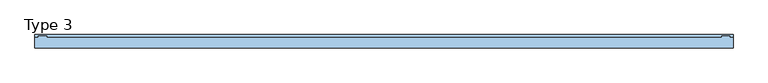
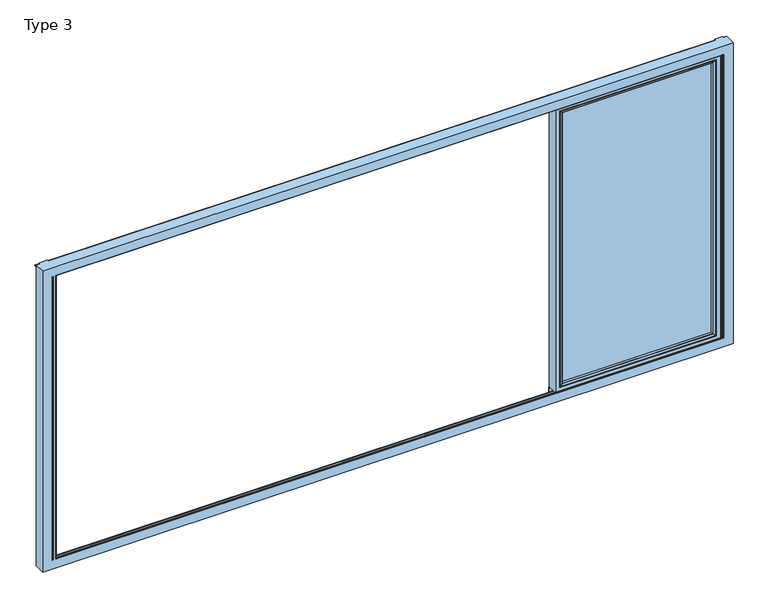
"""IFC4 building model written with IfcOpenShell, lengths in millimetres: window geometry, Type 3."""

from ifc_helpers import new_model, si_unit, point, frame, frame_2d, origin, place, context, project, spatial, polyline, circle_curve, ellipse_curve, trimmed, segment, composite_curve, outline, extrude, source, transform, mapped, element, save
from ifc_brep_helpers import plane_surface, cylinder_surface, advanced_brep


def type_3_1e043581(model_context):
    return source(origin(), model_context, "Body", "SolidModel", [
        advanced_brep(
        [(2500.0, -60.0, 2324.0), (2500.0, -60.0, 66.0), (2500.0, 20.0, 66.0), (2500.0, 20.0, 2324.0), (1264.375, -60.0, 66.0), (1264.375, 20.0, 66.0), (1264.375, 20.0, 2324.0), (1309.8746293, 20.0, 111.4996293), (2454.5003707, 20.0, 111.4996293), (2454.5003707, 20.0, 2278.5003707), (1309.8746293, 20.0, 2278.5003707), (1264.375, -60.0, 2324.0), (2468.0, -60.0, 98.0), (1296.375, -60.0, 98.0), (1296.375, -60.0, 2292.0), (2468.0, -60.0, 2292.0), (2468.0, 3.9999997, 2292.0), (2468.0, 3.9999997, 98.0), (1296.375, 3.9999997, 98.0), (1296.375, 3.9999997, 2292.0), (2449.999988, 3.9999997, 116.000012), (1314.375012, 3.9999997, 116.000012), (1314.375012, 3.9999997, 2273.999988), (2449.999988, 3.9999997, 2273.999988), (2449.999988, 15.4995565, 2273.999988), (2449.999988, 15.4995565, 116.000012), (1314.375012, 15.4995565, 116.000012), (1314.375012, 15.4995565, 2273.999988)],
        [
            (0, 1),
            (1, 2),
            (2, 3),
            (3, 0),
            (1, 4),
            (4, 5),
            (5, 2),
            (5, 6),
            (6, 3),
            (7, 8),
            (8, 9),
            (9, 10),
            (10, 7),
            (4, 11),
            (11, 6),
            (0, 11),
            (12, 13),
            (13, 14),
            (14, 15),
            (15, 12),
            (16, 17),
            (17, 12),
            (15, 16),
            (17, 18),
            (18, 13),
            (18, 19),
            (19, 14),
            (16, 19),
            (20, 21),
            (21, 22),
            (22, 23),
            (23, 20),
            (24, 25),
            (25, 20),
            (23, 24),
            (25, 26),
            (26, 21),
            (26, 27),
            (27, 22),
            (7, 26, ellipse_curve(frame((1309.8746293, 15.4995565, 111.4996293), z_axis=(0.7071067811865475, 0.0, -0.7071067811865475), x_axis=(0.7071067811865476, 0.0, 0.7071067811865474)), 6.3645023, 4.5003827)),
            (25, 8, ellipse_curve(frame((2454.5003707, 15.4995565, 111.4996293), z_axis=(-0.7071067811865475, 0.0, -0.7071067811865475), x_axis=(0.7071067811865476, 0.0, -0.7071067811865474)), 6.3645023, 4.5003827)),
            (24, 9, ellipse_curve(frame((2454.5003707, 15.4995565, 2278.5003707), z_axis=(0.7071067811865475, 0.0, -0.7071067811865475), x_axis=(0.7071067811865474, 0.0, 0.7071067811865476)), 6.3645023, 4.5003827)),
            (10, 27, ellipse_curve(frame((1309.8746293, 15.4995565, 2278.5003707), z_axis=(-0.7071067811865475, 0.0, -0.7071067811865475), x_axis=(0.7071067811865474, 0.0, -0.7071067811865476)), 6.3645023, 4.5003827)),
            (27, 24),
        ],
        [
            plane_surface(frame((2500.0, 20.0, 2324.0), z_axis=(1.0, 0.0, 0.0), x_axis=(0.0, 0.0, -1.0))),
            plane_surface(frame((2500.0, 20.0, 66.0), z_axis=(0.0, 0.0, -1.0), x_axis=(-1.0, 0.0, 0.0))),
            plane_surface(frame((2454.5003707, 20.0, 2278.5003707), z_axis=(0.0, 1.0, 0.0), x_axis=(0.0, 0.0, -1.0))),
            plane_surface(frame((1264.375, 20.0, 66.0), z_axis=(-1.0, 0.0, 0.0), x_axis=(0.0, 0.0, 1.0))),
            plane_surface(frame((2500.0, -60.0, 2324.0), z_axis=(0.0, -1.0, 0.0), x_axis=(0.0, 0.0, -1.0))),
            plane_surface(frame((2468.0, -60.0, 2292.0), z_axis=(-1.0, 0.0, 0.0), x_axis=(0.0, 0.0, -1.0))),
            plane_surface(frame((2468.0, -60.0, 98.0), z_axis=(0.0, 0.0, 1.0), x_axis=(-1.0, 0.0, 0.0))),
            plane_surface(frame((1296.375, -60.0, 98.0), z_axis=(1.0, 0.0, 0.0), x_axis=(0.0, 0.0, 1.0))),
            plane_surface(frame((2468.0, 3.9999997, 2292.0), z_axis=(0.0, -1.0, 0.0), x_axis=(0.0, 0.0, -1.0))),
            plane_surface(frame((2449.999988, 3.9999997, 2273.999988), z_axis=(-1.0, 0.0, 0.0), x_axis=(0.0, 0.0, -1.0))),
            plane_surface(frame((2449.999988, 3.9999997, 116.000012), z_axis=(0.0, 0.0, 1.0), x_axis=(-1.0, 0.0, 0.0))),
            plane_surface(frame((1314.375012, 3.9999997, 116.000012), z_axis=(1.0, 0.0, 0.0), x_axis=(0.0, 0.0, 1.0))),
            cylinder_surface(frame((2506.0, 15.4995565, 111.4996293), z_axis=(1.0, 0.0, 0.0), x_axis=(0.0, -1.0, 0.0)), 4.5003827),
            cylinder_surface(frame((2454.5003707, 15.4995565, 2330.0), z_axis=(0.0, 0.0, 1.0), x_axis=(0.0, -1.0, 0.0)), 4.5003827),
            cylinder_surface(frame((1309.8746293, 15.4995565, 60.0), z_axis=(0.0, 0.0, -1.0), x_axis=(0.0, -1.0, 0.0)), 4.5003827),
            plane_surface(frame((1264.375, 20.0, 2324.0), z_axis=(0.0, 0.0, 1.0), x_axis=(1.0, 0.0, 0.0))),
            plane_surface(frame((1296.375, -60.0, 2292.0), z_axis=(0.0, 0.0, -1.0), x_axis=(1.0, 0.0, 0.0))),
            plane_surface(frame((1314.375012, 3.9999997, 2273.999988), z_axis=(0.0, 0.0, -1.0), x_axis=(1.0, 0.0, 0.0))),
            cylinder_surface(frame((1258.375, 15.4995565, 2278.5003707), z_axis=(-1.0, 0.0, 0.0), x_axis=(0.0, -1.0, 0.0)), 4.5003827),
        ],
        [
            (0, [[1, 2, 3, 4]]),
            (1, [[5, 6, 7, -2]]),
            (2, [[-7, 8, 9, -3], [10, 11, 12, 13]]),
            (3, [[14, 15, -8, -6]]),
            (4, [[-5, -1, 16, -14], [17, 18, 19, 20]]),
            (5, [[21, 22, -20, 23]]),
            (6, [[24, 25, -17, -22]]),
            (7, [[26, 27, -18, -25]]),
            (8, [[-24, -21, 28, -26], [29, 30, 31, 32]]),
            (9, [[33, 34, -32, 35]]),
            (10, [[36, 37, -29, -34]]),
            (11, [[38, 39, -30, -37]]),
            (12, [[-10, 40, -36, 41]]),
            (13, [[-11, -41, -33, 42]]),
            (14, [[-13, 43, -38, -40]]),
            (15, [[-16, -4, -9, -15]]),
            (16, [[-28, -23, -19, -27]]),
            (17, [[44, -35, -31, -39]]),
            (18, [[-12, -42, -44, -43]]),
        ],
    ),
        extrude(outline(polyline([(2467.9996828, 3.9999997), (2467.9996828, -34.0000003), (1296.3753172, -34.0000003), (1296.3753172, 3.9999997), (2467.9996828, 3.9999997)])), frame((0.0, 0.0, 98.0003172), z_axis=(0.0, 0.0, 1.0), x_axis=(1.0, 0.0, 0.0)), (0.0, 0.0, 1.0), 2193.9993657),
        advanced_brep(
        [(1318.3748899, -54.5552044, 2270.0001101), (1318.3748899, -54.5552044, 119.9998899), (1318.3748899, -34.0000003, 119.9998899), (1318.3748899, -34.0000003, 2270.0001101), (1296.3753172, -34.0000003, 2291.9996828), (2467.9996828, -34.0000003, 2291.9996828), (2467.9996828, -34.0000003, 98.0003172), (1296.3753172, -34.0000003, 98.0003172), (2446.0001101, -34.0000003, 2270.0001101), (2446.0001101, -34.0000003, 119.9998899), (2446.0001101, -54.5552044, 119.9998899), (1317.6653465, -55.8045072, 2270.7096535), (1317.6653465, -55.8045072, 119.2903465), (2446.7096535, -55.8045072, 119.2903465), (1302.3752561, -60.0, 2285.9997439), (1302.3752561, -60.0, 104.0002561), (2461.9997439, -60.0, 104.0002561), (2467.9996828, -60.0, 2291.9996828), (1296.3753172, -60.0, 2291.9996828), (1296.3753172, -60.0, 98.0003172), (2467.9996828, -60.0, 98.0003172), (2461.9997439, -60.0, 2285.9997439), (2446.0001101, -54.5552044, 2270.0001101), (2446.7096535, -55.8045072, 2270.7096535)],
        [
            (0, 1),
            (1, 2),
            (2, 3),
            (3, 0),
            (4, 5),
            (5, 6),
            (6, 7),
            (7, 4),
            (8, 3),
            (2, 9),
            (9, 8),
            (1, 10),
            (10, 9),
            (11, 12),
            (12, 1, ellipse_curve(frame((1316.9202859, -54.5552044, 118.5452859), z_axis=(-0.7071067811865475, 0.0, 0.7071067811865475), x_axis=(0.7071067811865474, 0.0, 0.7071067811865476)), 2.0571207, 1.454604)),
            (0, 11, ellipse_curve(frame((1316.9202859, -54.5552044, 2271.4547141), z_axis=(-0.7071067811865475, 0.0, -0.7071067811865475), x_axis=(-0.7071067811865474, 0.0, 0.7071067811865476)), 2.0571207, 1.454604)),
            (12, 13),
            (13, 10, ellipse_curve(frame((2447.4547141, -54.5552044, 118.5452859), z_axis=(-0.7071067811865475, 0.0, -0.7071067811865475), x_axis=(-0.7071067811865476, 0.0, 0.7071067811865474)), 2.0571207, 1.454604)),
            (14, 15),
            (15, 12, ellipse_curve(frame((1302.4391917, -30.2735922, 104.0641917), z_axis=(-0.7071067811865475, 0.0, 0.7071067811865475), x_axis=(0.7071067811865474, 0.0, 0.7071067811865476)), 42.0395863, 29.7264765)),
            (11, 14, ellipse_curve(frame((1302.4391917, -30.2735922, 2285.9358083), z_axis=(-0.7071067811865475, 0.0, -0.7071067811865475), x_axis=(-0.7071067811865474, 0.0, 0.7071067811865476)), 42.0395863, 29.7264765)),
            (15, 16),
            (16, 13, ellipse_curve(frame((2461.9358083, -30.2735922, 104.0641917), z_axis=(-0.7071067811865475, 0.0, -0.7071067811865475), x_axis=(-0.7071067811865476, 0.0, 0.7071067811865474)), 42.0395863, 29.7264765)),
            (17, 18),
            (18, 19),
            (19, 20),
            (20, 17),
            (14, 21),
            (21, 16),
            (7, 19),
            (18, 4),
            (6, 20),
            (10, 22),
            (22, 8),
            (13, 23),
            (23, 22, ellipse_curve(frame((2447.4547141, -54.5552044, 2271.4547141), z_axis=(0.7071067811865475, 0.0, -0.7071067811865475), x_axis=(-0.7071067811865474, 0.0, -0.7071067811865476)), 2.0571207, 1.454604)),
            (21, 23, ellipse_curve(frame((2461.9358083, -30.2735922, 2285.9358083), z_axis=(0.7071067811865475, 0.0, -0.7071067811865475), x_axis=(-0.7071067811865474, 0.0, -0.7071067811865476)), 42.0395863, 29.7264765)),
            (5, 17),
            (22, 0),
            (23, 11),
        ],
        [
            plane_surface(frame((1318.3748899, -34.0000003, 2270.0001101), z_axis=(1.0, 0.0, 0.0), x_axis=(0.0, 0.0, -1.0))),
            plane_surface(frame((2467.9996828, -34.0000003, 98.0003172), z_axis=(0.0, 1.0, 0.0), x_axis=(0.0, 0.0, 1.0))),
            plane_surface(frame((1318.3748899, -34.0000003, 119.9998899), z_axis=(0.0, 0.0, 1.0), x_axis=(1.0, 0.0, 0.0))),
            cylinder_surface(frame((1316.9202859, -54.5552044, 2273.999988), z_axis=(0.0, 0.0, 1.0), x_axis=(-1.0, 0.0, 0.0)), 1.454604),
            cylinder_surface(frame((1314.375012, -54.5552044, 118.5452859), z_axis=(-1.0, 0.0, 0.0), x_axis=(0.0, 0.0, -1.0)), 1.454604),
            cylinder_surface(frame((1302.4391917, -30.2735922, 2273.999988), z_axis=(0.0, 0.0, 1.0), x_axis=(-1.0, 0.0, 0.0)), 29.7264765),
            cylinder_surface(frame((1314.375012, -30.2735922, 104.0641917), z_axis=(-1.0, 0.0, 0.0), x_axis=(0.0, 0.0, -1.0)), 29.7264765),
            plane_surface(frame((2461.9997439, -60.0, 104.0002561), z_axis=(0.0, -1.0, 0.0), x_axis=(0.0, 0.0, 1.0))),
            plane_surface(frame((1296.3753172, -60.0, 2291.9996828), z_axis=(-1.0, 0.0, 0.0), x_axis=(0.0, 0.0, -1.0))),
            plane_surface(frame((1296.3753172, -60.0, 98.0003172), z_axis=(0.0, 0.0, -1.0), x_axis=(1.0, 0.0, 0.0))),
            plane_surface(frame((2446.0001101, -34.0000003, 119.9998899), z_axis=(-1.0, 0.0, 0.0), x_axis=(0.0, 0.0, 1.0))),
            cylinder_surface(frame((2447.4547141, -54.5552044, 116.000012), z_axis=(0.0, 0.0, -1.0), x_axis=(1.0, 0.0, 0.0)), 1.454604),
            cylinder_surface(frame((2461.9358083, -30.2735922, 116.000012), z_axis=(0.0, 0.0, -1.0), x_axis=(1.0, 0.0, 0.0)), 29.7264765),
            plane_surface(frame((2467.9996828, -60.0, 98.0003172), z_axis=(1.0, 0.0, 0.0), x_axis=(0.0, 0.0, 1.0))),
            plane_surface(frame((2446.0001101, -34.0000003, 2270.0001101), z_axis=(0.0, 0.0, -1.0), x_axis=(-1.0, 0.0, 0.0))),
            cylinder_surface(frame((2449.999988, -54.5552044, 2271.4547141), z_axis=(1.0, 0.0, 0.0), x_axis=(0.0, 0.0, 1.0)), 1.454604),
            cylinder_surface(frame((2449.999988, -30.2735922, 2285.9358083), z_axis=(1.0, 0.0, 0.0), x_axis=(0.0, 0.0, 1.0)), 29.7264765),
            plane_surface(frame((2467.9996828, -60.0, 2291.9996828), z_axis=(0.0, 0.0, 1.0), x_axis=(-1.0, 0.0, 0.0))),
        ],
        [
            (0, [[1, 2, 3, 4]]),
            (1, [[5, 6, 7, 8], [9, -3, 10, 11]]),
            (2, [[12, 13, -10, -2]]),
            (3, [[14, 15, -1, 16]]),
            (4, [[17, 18, -12, -15]]),
            (5, [[19, 20, -14, 21]]),
            (6, [[22, 23, -17, -20]]),
            (7, [[24, 25, 26, 27], [28, 29, -22, -19]]),
            (8, [[-8, 30, -25, 31]]),
            (9, [[-7, 32, -26, -30]]),
            (10, [[33, 34, -11, -13]]),
            (11, [[35, 36, -33, -18]]),
            (12, [[-29, 37, -35, -23]]),
            (13, [[-6, 38, -27, -32]]),
            (14, [[39, -4, -9, -34]]),
            (15, [[40, -16, -39, -36]]),
            (16, [[-28, -21, -40, -37]]),
            (17, [[-5, -31, -24, -38]]),
        ],
    ),
        extrude(outline(composite_curve([segment(polyline([(20.0, 2362.5), (20.0, 2324.0), (10.0, 2324.0), (10.0, 2365.0), (17.5, 2365.0)]), True, "CONTINUOUS"), segment(trimmed(circle_curve(frame_2d((17.5, 2362.5)), 2.5), [point((17.5, 2365.0))], [point((20.0, 2362.5))], False, "CARTESIAN"), True, "CONTINUOUS")], self_intersect=False)), frame((1258.375, 0.0, 0.0), z_axis=(1.0, 0.0, 0.0), x_axis=(0.0, 1.0, 0.0)), (0.0, 0.0, 1.0), 1247.625),
        extrude(outline(composite_curve([segment(trimmed(circle_curve(frame_2d((17.5, 27.5)), 2.5), [point((20.0, 27.5))], [point((17.5, 25.0))], False, "CARTESIAN"), True, "CONTINUOUS"), segment(polyline([(17.5, 25.0), (10.0, 25.0), (10.0, 66.0), (20.0, 66.0), (20.0, 27.5)]), True, "CONTINUOUS")], self_intersect=False)), frame((1258.375, 0.0, 0.0), z_axis=(1.0, 0.0, 0.0), x_axis=(0.0, 1.0, 0.0)), (0.0, 0.0, 1.0), 1247.625),
        advanced_brep(
        [(2519.5, -69.9999847, 70.5), (2517.0, -67.4999847, 73.0), (-2488.0, -67.4999847, 73.0), (-2490.5, -69.9999847, 70.5), (-2517.0, -67.4999847, 73.0), (-2519.5, -69.9999847, 70.5), (-2509.0, -69.9999847, 70.5), (-2509.0, -67.4999847, 73.0), (2519.5, -69.9999847, 2319.5), (2517.0, -67.4999847, 2317.0), (2590.0, -69.9999847, 0.0), (2590.0, -69.9999847, 2390.0), (-2590.0, -69.9999847, 2390.0), (-2590.0, -69.9999847, 0.0), (-2490.5, -69.9999847, 2319.5), (-2519.5, -69.9999847, 2319.5), (-2509.0, -69.9999847, 2319.5), (2517.0, -60.0, 2317.0), (2517.0, -60.0, 73.0), (2506.0, -60.0, 2317.0), (2506.0, -60.0, 73.0), (-2488.0, -60.0, 73.0), (-2517.0, -60.0, 73.0), (-2509.0, -60.0, 73.0), (2590.0, 10.0, 0.0), (-2590.0, 10.0, 0.0), (-2565.0, 10.0, 0.0), (-2565.0, 17.5, 0.0), (-2562.5, 20.0, 0.0), (-2501.5, 20.0, 0.0), (-2501.5, 10.0, 0.0), (2506.0, 10.0, 0.0), (2506.0, 20.0, 0.0), (2562.5, 20.0, 0.0), (2565.0, 17.5, 0.0), (2565.0, 10.0, 0.0), (2590.0, 10.0, 2390.0), (-2501.5, 10.0, 35.6000076), (2506.0, 10.0, 35.6000076), (-2501.5, 10.0, 2354.3999924), (-2501.5, 10.0, 2390.0), (2506.0, 10.0, 2390.0), (2506.0, 10.0, 2354.3999924), (-2590.0, 10.0, 2390.0), (-2565.0, 10.0, 2390.0), (2565.0, 10.0, 2390.0), (-2517.0, -67.4999847, 2317.0), (-2517.0, -60.0, 2317.0), (-2509.0, -60.0, 2317.0), (-2488.0, -67.4999847, 2317.0), (-2509.0, -67.4999847, 2317.0), (-2488.0, -60.0, 2317.0), (2506.0, -60.0, 30.5), (-2501.5, -60.0, 30.5), (-2501.5, -60.0, 2359.5), (2506.0, -60.0, 2359.5), (2506.0, 20.0, 2390.0), (2506.0, 0.2, 35.6000076), (2506.0, 0.2, 24.0002136), (2506.0, -22.3, 24.0002136), (2506.0, -22.3, 35.6000076), (2506.0, -31.8999756, 35.6000076), (2506.0, -31.8999756, 30.5), (2506.0, -31.8999756, 2359.5), (2506.0, -31.8999756, 2354.3999924), (2506.0, -22.3, 2354.3999924), (2506.0, -22.3, 2365.9997864), (2506.0, 0.2, 2365.9997864), (2506.0, 0.2, 2354.3999924), (-2501.5, -31.8999756, 30.5), (-2501.5, 20.0, 2390.0), (-2501.5, 0.2, 2354.3999924), (-2501.5, 0.2, 2365.9997864), (-2501.5, -22.3, 2365.9997864), (-2501.5, -22.3, 2354.3999924), (-2501.5, -31.8999756, 2354.3999924), (-2501.5, -31.8999756, 2359.5), (-2501.5, -31.8999756, 35.6000076), (-2501.5, -22.3, 35.6000076), (-2501.5, -22.3, 24.0002136), (-2501.5, 0.2, 24.0002136), (-2501.5, 0.2, 35.6000076), (-2565.0, 17.5, 2390.0), (2565.0, 17.5, 2390.0), (-2562.5, 20.0, 2390.0), (2562.5, 20.0, 2390.0)],
        [
            (0, 1, ellipse_curve(frame((2519.5, -67.4999847, 70.5), z_axis=(-0.7071067811865498, 0.0, -0.7071067811865451), x_axis=(-0.7071067811865452, 0.0, 0.7071067811865497)), 3.5355339, 2.5)),
            (1, 2),
            (2, 3, ellipse_curve(frame((-2490.5, -67.4999847, 70.5), z_axis=(0.7071067811865464, 0.0, -0.7071067811865487), x_axis=(-0.7071067811865486, 0.0, -0.7071067811865464)), 3.5355339, 2.5)),
            (3, 0),
            (4, 5, ellipse_curve(frame((-2519.5, -67.4999847, 70.5), z_axis=(0.7071067811865451, 0.0, -0.7071067811865498), x_axis=(-0.70710678118655, 0.0, -0.7071067811865451)), 3.5355339, 2.5)),
            (5, 6),
            (6, 7, circle_curve(frame((-2509.0, -67.4999847, 70.5), z_axis=(-1.0, 0.0, 0.0), x_axis=(0.0, 0.0, 1.0)), 2.5)),
            (7, 4),
            (0, 8),
            (8, 9, ellipse_curve(frame((2519.5, -67.4999847, 2319.5), z_axis=(0.7071067811865451, 0.0, -0.7071067811865498), x_axis=(-0.7071067811865497, 0.0, -0.7071067811865452)), 3.5355339, 2.5)),
            (9, 1),
            (10, 11),
            (11, 12),
            (12, 13),
            (13, 10),
            (3, 14),
            (14, 8),
            (5, 15),
            (15, 16),
            (16, 6),
            (9, 17),
            (17, 18),
            (18, 1),
            (19, 20),
            (20, 18),
            (17, 19),
            (20, 21),
            (21, 2),
            (22, 4),
            (7, 23),
            (23, 22),
            (24, 10),
            (13, 25),
            (25, 26),
            (26, 27),
            (27, 28, circle_curve(frame((-2562.5, 17.5, 0.0), z_axis=(0.0, 0.0, -1.0), x_axis=(0.0, -1.0, 0.0)), 2.5)),
            (28, 29),
            (29, 30),
            (30, 31),
            (31, 32),
            (32, 33),
            (33, 34, circle_curve(frame((2562.5, 17.5, 0.0), z_axis=(0.0, 0.0, -1.0), x_axis=(0.0, -1.0, 0.0)), 2.5)),
            (34, 35),
            (35, 24),
            (24, 36),
            (36, 11),
            (30, 37),
            (37, 38),
            (38, 31),
            (39, 40),
            (40, 41),
            (41, 42),
            (42, 39),
            (25, 43),
            (43, 44),
            (44, 26),
            (45, 36),
            (35, 45),
            (46, 15, ellipse_curve(frame((-2519.5, -67.4999847, 2319.5), z_axis=(-0.7071067811865498, 0.0, -0.7071067811865451), x_axis=(-0.7071067811865451, 0.0, 0.70710678118655)), 3.5355339, 2.5)),
            (4, 46),
            (47, 46),
            (22, 47),
            (23, 48),
            (48, 47),
            (12, 43),
            (2, 49),
            (49, 14, ellipse_curve(frame((-2490.5, -67.4999847, 2319.5), z_axis=(-0.7071067811865487, 0.0, -0.7071067811865464), x_axis=(-0.7071067811865464, 0.0, 0.7071067811865487)), 3.5355339, 2.5)),
            (16, 50, circle_curve(frame((-2509.0, -67.4999847, 2319.5), z_axis=(1.0, 0.0, 0.0), x_axis=(0.0, 0.0, -1.0)), 2.5)),
            (50, 48),
            (51, 21),
            (20, 52),
            (52, 53),
            (53, 54),
            (54, 55),
            (55, 19),
            (19, 51),
            (51, 49),
            (56, 32),
            (38, 57),
            (57, 58),
            (58, 59),
            (59, 60),
            (60, 61),
            (61, 62),
            (62, 52),
            (55, 63),
            (63, 64),
            (64, 65),
            (65, 66),
            (66, 67),
            (67, 68),
            (68, 42),
            (41, 56),
            (69, 53),
            (62, 69),
            (29, 70),
            (70, 40),
            (39, 71),
            (71, 72),
            (72, 73),
            (73, 74),
            (74, 75),
            (75, 76),
            (76, 54),
            (69, 77),
            (77, 78),
            (78, 79),
            (79, 80),
            (80, 81),
            (81, 37),
            (61, 77),
            (75, 64),
            (63, 76),
            (60, 78),
            (59, 79),
            (73, 66),
            (65, 74),
            (58, 80),
            (57, 81),
            (71, 68),
            (67, 72),
            (44, 82),
            (82, 27),
            (83, 45),
            (34, 83),
            (82, 84, circle_curve(frame((-2562.5, 17.5, 2390.0), z_axis=(0.0, 0.0, -1.0), x_axis=(0.0, -1.0, 0.0)), 2.5)),
            (84, 28),
            (84, 70),
            (56, 85),
            (85, 33),
            (85, 83, circle_curve(frame((2562.5, 17.5, 2390.0), z_axis=(0.0, 0.0, -1.0), x_axis=(0.0, -1.0, 0.0)), 2.5)),
            (49, 9),
            (46, 50),
        ],
        [
            cylinder_surface(frame((-2590.0, -67.4999847, 70.5), z_axis=(-1.0, 0.0, 0.0), x_axis=(0.0, 0.0, 1.0)), 2.5),
            cylinder_surface(frame((2519.5, -67.4999847, 0.0), z_axis=(0.0, 0.0, -1.0), x_axis=(-1.0, 0.0, 0.0)), 2.5),
            plane_surface(frame((-2590.0, -69.9999847, 0.0), z_axis=(0.0, -1.0, 0.0), x_axis=(1.0, 0.0, 0.0))),
            plane_surface(frame((2517.0, -67.4999847, 73.0), z_axis=(-1.0, 0.0, 0.0), x_axis=(0.0, 0.0, 1.0))),
            plane_surface(frame((2506.0, -60.0, 2390.0), z_axis=(0.0, -1.0, 0.0), x_axis=(0.0, 0.0, -1.0))),
            plane_surface(frame((-2517.0, -67.4999847, 73.0), z_axis=(0.0, 0.0, 1.0), x_axis=(1.0, 0.0, 0.0))),
            plane_surface(frame((-2590.0, 10.0, 0.0), z_axis=(0.0, 0.0, -1.0), x_axis=(1.0, 0.0, 0.0))),
            plane_surface(frame((2590.0, 10.0, 0.0), z_axis=(1.0, 0.0, 0.0), x_axis=(0.0, 0.0, 1.0))),
            plane_surface(frame((-2554.3999924, 10.0, 35.6000076), z_axis=(0.0, 1.0, 0.0), x_axis=(1.0, 0.0, 0.0))),
            cylinder_surface(frame((-2519.5, -67.4999847, 2390.0), z_axis=(0.0, 0.0, 1.0), x_axis=(1.0, 0.0, 0.0)), 2.5),
            plane_surface(frame((-2517.0, -67.4999847, 2317.0), z_axis=(1.0, 0.0, 0.0), x_axis=(0.0, 0.0, -1.0))),
            plane_surface(frame((-2565.9997864, -60.0, 2390.0), z_axis=(0.0, -1.0, 0.0), x_axis=(0.0, 0.0, -1.0))),
            plane_surface(frame((-2590.0, 10.0, 2390.0), z_axis=(-1.0, 0.0, 0.0), x_axis=(0.0, 0.0, -1.0))),
            cylinder_surface(frame((-2490.5, -67.4999847, 2390.0), z_axis=(0.0, 0.0, 1.0), x_axis=(0.0, -1.0, 0.0)), 2.5),
            plane_surface(frame((-2509.0, -60.0, 2390.0), z_axis=(-1.0, 0.0, 0.0), x_axis=(0.0, 0.0, -1.0))),
            plane_surface(frame((-2517.0, -60.0, 73.0), z_axis=(0.0, 1.0, 0.0), x_axis=(1.0, 0.0, 0.0))),
            plane_surface(frame((-2488.0, -67.4999847, 2390.0), z_axis=(1.0, 0.0, 0.0), x_axis=(0.0, 0.0, -1.0))),
            plane_surface(frame((2506.0, 20.0, 2390.0), z_axis=(-1.0, 0.0, 0.0), x_axis=(0.0, 0.0, -1.0))),
            plane_surface(frame((-2559.5, -60.0, 30.5), z_axis=(0.0, 0.0, 1.0), x_axis=(1.0, 0.0, 0.0))),
            plane_surface(frame((-2501.5, -60.0, 2390.0), z_axis=(1.0, 0.0, 0.0), x_axis=(0.0, 0.0, -1.0))),
            plane_surface(frame((-2559.5, -31.8999756, 30.5), z_axis=(0.0, -1.0, 0.0), x_axis=(1.0, 0.0, 0.0))),
            plane_surface(frame((-2554.3999924, -31.8999756, 35.6000076), z_axis=(0.0, 0.0, 1.0), x_axis=(1.0, 0.0, 0.0))),
            plane_surface(frame((-2554.3999924, -22.3, 35.6000076), z_axis=(0.0, 1.0, 0.0), x_axis=(1.0, 0.0, 0.0))),
            plane_surface(frame((-2565.9997864, -22.3, 24.0002136), z_axis=(0.0, 0.0, 1.0), x_axis=(1.0, 0.0, 0.0))),
            plane_surface(frame((-2565.9997864, 0.2, 24.0002136), z_axis=(0.0, -1.0, 0.0), x_axis=(1.0, 0.0, 0.0))),
            plane_surface(frame((-2554.3999924, 0.2, 35.6000076), z_axis=(0.0, 0.0, 1.0), x_axis=(1.0, 0.0, 0.0))),
            plane_surface(frame((-2565.0, 17.5, 2390.0), z_axis=(-1.0, 0.0, 0.0), x_axis=(0.0, 0.0, -1.0))),
            plane_surface(frame((2565.0, 10.0, 2390.0), z_axis=(1.0, 0.0, 0.0), x_axis=(0.0, 0.0, -1.0))),
            cylinder_surface(frame((-2562.5, 17.5, 2390.0), z_axis=(0.0, 0.0, 1.0), x_axis=(0.0, -1.0, 0.0)), 2.5),
            plane_surface(frame((-2501.5, 20.0, 2390.0), z_axis=(0.0, 1.0, 0.0), x_axis=(0.0, 0.0, -1.0))),
            plane_surface(frame((2562.5, 20.0, 2390.0), z_axis=(0.0, 1.0, 0.0), x_axis=(0.0, 0.0, -1.0))),
            cylinder_surface(frame((2562.5, 17.5, 2390.0), z_axis=(0.0, 0.0, 1.0), x_axis=(0.0, -1.0, 0.0)), 2.5),
            cylinder_surface(frame((2590.0, -67.4999847, 2319.5), z_axis=(1.0, 0.0, 0.0), x_axis=(0.0, 0.0, -1.0)), 2.5),
            plane_surface(frame((2517.0, -67.4999847, 2317.0), z_axis=(0.0, 0.0, -1.0), x_axis=(-1.0, 0.0, 0.0))),
            plane_surface(frame((2590.0, 10.0, 2390.0), z_axis=(0.0, 0.0, 1.0), x_axis=(-1.0, 0.0, 0.0))),
            plane_surface(frame((2559.5, -60.0, 2359.5), z_axis=(0.0, 0.0, -1.0), x_axis=(-1.0, 0.0, 0.0))),
            plane_surface(frame((2554.3999924, -31.8999756, 2354.3999924), z_axis=(0.0, 0.0, -1.0), x_axis=(-1.0, 0.0, 0.0))),
            plane_surface(frame((2565.9997864, -22.3, 2365.9997864), z_axis=(0.0, 0.0, -1.0), x_axis=(-1.0, 0.0, 0.0))),
            plane_surface(frame((2554.3999924, 0.2, 2354.3999924), z_axis=(0.0, 0.0, -1.0), x_axis=(-1.0, 0.0, 0.0))),
        ],
        [
            (0, [[1, 2, 3, 4]]),
            (0, [[5, 6, 7, 8]]),
            (1, [[-1, 9, 10, 11]]),
            (2, [[12, 13, 14, 15], [-9, -4, 16, 17], [18, 19, 20, -6]]),
            (3, [[-11, 21, 22, 23]]),
            (4, [[24, 25, -22, 26]]),
            (5, [[-23, -25, 27, 28, -2]]),
            (5, [[29, -8, 30, 31]]),
            (6, [[32, -15, 33, 34, 35, 36, 37, 38, 39, 40, 41, 42, 43, 44]]),
            (7, [[-32, 45, 46, -12]]),
            (8, [[47, 48, 49, -39]]),
            (8, [[50, 51, 52, 53]]),
            (8, [[54, 55, 56, -34]]),
            (8, [[57, -45, -44, 58]]),
            (9, [[59, -18, -5, 60]]),
            (10, [[61, -60, -29, 62]]),
            (11, [[63, 64, -62, -31]]),
            (12, [[65, -54, -33, -14]]),
            (13, [[-16, -3, 66, 67]]),
            (14, [[-20, 68, 69, -63, -30, -7]]),
            (15, [[70, -27, 71, 72, 73, 74, 75, 76]]),
            (16, [[-66, -28, -70, 77]]),
            (17, [[78, -40, -49, 79, 80, 81, 82, 83, 84, 85, -71, -24, -75, 86, 87, 88, 89, 90, 91, 92, -52, 93]]),
            (18, [[94, -72, -85, 95]]),
            (19, [[96, 97, -50, 98, 99, 100, 101, 102, 103, 104, -73, -94, 105, 106, 107, 108, 109, 110, -47, -38]]),
            (20, [[-105, -95, -84, 111]]),
            (20, [[-103, 112, -87, 113]]),
            (21, [[-106, -111, -83, 114]]),
            (22, [[-107, -114, -82, 115]]),
            (22, [[-101, 116, -89, 117]]),
            (23, [[-108, -115, -81, 118]]),
            (24, [[-109, -118, -80, 119]]),
            (24, [[-99, 120, -91, 121]]),
            (25, [[-110, -119, -79, -48]]),
            (26, [[122, 123, -35, -56]]),
            (27, [[124, -58, -43, 125]]),
            (28, [[126, 127, -36, -123]]),
            (29, [[128, -96, -37, -127]]),
            (30, [[129, 130, -41, -78]]),
            (31, [[131, -125, -42, -130]]),
            (32, [[-10, -17, -67, 132]]),
            (32, [[-59, 133, -68, -19]]),
            (33, [[-21, -132, -77, -76, -26]]),
            (33, [[-61, -64, -69, -133]]),
            (34, [[-46, -57, -124, -131, -129, -93, -51, -97, -128, -126, -122, -55, -65, -13]]),
            (35, [[-104, -113, -86, -74]]),
            (36, [[-102, -117, -88, -112]]),
            (37, [[-100, -121, -90, -116]]),
            (38, [[-98, -53, -92, -120]]),
        ],
    ),
        extrude(outline(polyline([(30.2279949, 2375.5006958), (30.2279949, 2371.1777082), (9.9999847, 2371.1777082), (9.9999847, 2383.6755792), (30.2279949, 2375.5006958)])), frame((-2590.0, 0.0, 0.0), z_axis=(1.0, 0.0, 0.0), x_axis=(0.0, 1.0, 0.0)), (0.0, 0.0, 1.0), 5180.0),
    ])


if __name__ == "__main__":
    model = new_model("IFC4")
    model_context = context("Model", 3, world=origin())
    ifc_project = project(units=[si_unit("LENGTHUNIT", "METRE", prefix="MILLI")], contexts=[model_context])
    site = spatial("IfcSite", under=ifc_project)
    building = spatial("IfcBuilding", under=site)
    placement = place(None, origin())
    type_3_shape = type_3_1e043581(model_context)
    element("IfcWindow", 1, ObjectType="Type 3", at=placement, inside=building, context=model_context, shape_type="MappedRepresentation", body=[
        mapped(type_3_shape, transform((0.0, 0.0, 0.0), x_axis=(1.0, 0.0, 0.0), y_axis=(0.0, 1.0, 0.0), z_axis=(0.0, 0.0, 1.0))),
    ])
    save(model, "model.ifc")
